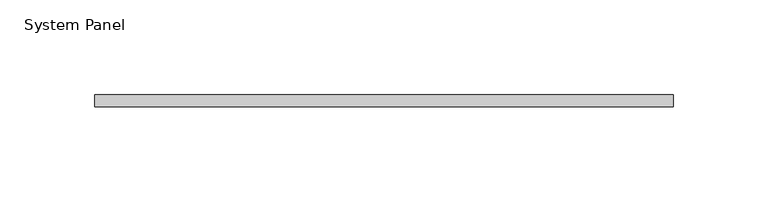
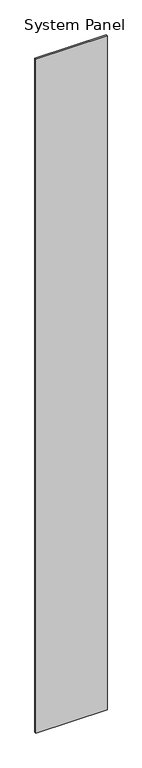
"""IFC4 building model written with IfcOpenShell, lengths in millimetres: plate geometry, System Panel."""

import ifcopenshell
import ifcopenshell.guid

model = None  # the IFC model being written
_history = None  # IfcOwnerHistory: only IFC2X3 demands one
_inside = {}  # id of a spatial element -> (the spatial element, [elements in it])
_under = {}  # id of a project, library or spatial element -> (it, [spatial elements below it])
_declared = {}  # id of a project -> (the project, [libraries it declares])
_typed = {}  # id of a type object -> (the type object, [elements of that type])
_made_of = {}  # id of a material, layer set ... -> (it, [elements and type objects made of it])


def new_model(schema):
    """Start an empty IFC model of exactly this schema.

    Asked for "IFC4X3", IfcOpenShell would pick the latest addendum, in which some entities
    have other attributes; the version numbers below select the first issue.
    IFC2X3 requires an IfcOwnerHistory on every rooted entity: one is made here for all.
    """
    global model, _history
    if schema == "IFC4X3":
        model = ifcopenshell.file(schema_version=(4, 3, 0, 0))
    else:
        model = ifcopenshell.file(schema=schema)
    _inside.clear()
    _under.clear()
    _declared.clear()
    _typed.clear()
    _made_of.clear()
    _history = None
    if model.schema == "IFC2X3":
        org = make("IfcOrganization", Name="unknown")
        user = make(
            "IfcPersonAndOrganization",
            ThePerson=make("IfcPerson", FamilyName="unknown"),
            TheOrganization=org,
        )
        app = make(
            "IfcApplication",
            ApplicationDeveloper=org,
            Version="unknown",
            ApplicationFullName="unknown",
            ApplicationIdentifier="unknown",
        )
        _history = make(
            "IfcOwnerHistory",
            OwningUser=user,
            OwningApplication=app,
            ChangeAction="ADDED",
            CreationDate=0,
        )
    return model


def make(cls, **values):
    """One entity of the class cls with the attributes given. An attribute that is None is left unset."""
    return model.create_entity(
        cls, **{name: value for name, value in values.items() if value is not None}
    )


def rooted(cls, **values):
    """An entity with a GlobalId (a new one), such as an element, a storey or a relation."""
    return make(cls, GlobalId=ifcopenshell.guid.new(), OwnerHistory=_history, **values)


def si_unit(unit_type, name, prefix=None):
    """IfcSIUnit, for example si_unit("LENGTHUNIT", "METRE", prefix="MILLI")."""
    return make("IfcSIUnit", UnitType=unit_type, Prefix=prefix, Name=name)


def assignment(units):
    """IfcUnitAssignment: the units of a project."""
    return None if units is None else make("IfcUnitAssignment", Units=units)


def point(xyz):
    """IfcCartesianPoint."""
    return None if xyz is None else make("IfcCartesianPoint", Coordinates=xyz)


def direction(xyz):
    """IfcDirection."""
    return None if xyz is None else make("IfcDirection", DirectionRatios=xyz)


def frame(location, z_axis=None, x_axis=None):
    """IfcAxis2Placement3D, a coordinate frame: its origin and axes. An axis left out is left unset."""
    return make(
        "IfcAxis2Placement3D",
        Location=point(location),
        Axis=direction(z_axis),
        RefDirection=direction(x_axis),
    )


def origin():
    """The frame at (0, 0, 0) with its axes left unset."""
    return frame((0.0, 0.0, 0.0))


def origin_with_axes():
    """The frame at (0, 0, 0) with the z axis (0, 0, 1) and the x axis (1, 0, 0) written out."""
    return frame((0.0, 0.0, 0.0), z_axis=(0.0, 0.0, 1.0), x_axis=(1.0, 0.0, 0.0))


def place(relative_to, where):
    """IfcLocalPlacement: puts the frame where relative to a parent placement (None: the world)."""
    return make(
        "IfcLocalPlacement", PlacementRelTo=relative_to, RelativePlacement=where
    )


def context(
    kind, dimensions, precision=None, world=None, true_north=None, identifier=None
):
    """IfcGeometricRepresentationContext, for example the 3D "Model" context."""
    return make(
        "IfcGeometricRepresentationContext",
        ContextIdentifier=identifier,
        ContextType=kind,
        CoordinateSpaceDimension=dimensions,
        Precision=precision,
        WorldCoordinateSystem=world,
        TrueNorth=true_north,
    )


def project(units=None, contexts=None):
    """IfcProject with its units and contexts."""
    return rooted(
        "IfcProject",
        Name="project",
        RepresentationContexts=contexts,
        UnitsInContext=assignment(units),
    )


def spatial(cls, under=None, at=None, **own):
    """A site, building, storey or space (cls), placed at a placement, below another one or the project."""
    s = rooted(cls, ObjectPlacement=at, **own)
    if under is not None:
        _under.setdefault(under.id(), (under, []))[1].append(s)
    return s


def polyline(points):
    """IfcPolyline through the points."""
    return make("IfcPolyline", Points=[point(p) for p in points])


def outline(outer, holes=None, kind="AREA"):
    """IfcArbitraryClosedProfileDef: a profile drawn as a closed curve; with holes, ...WithVoids."""
    if holes is None:
        return make("IfcArbitraryClosedProfileDef", ProfileType=kind, OuterCurve=outer)
    return make(
        "IfcArbitraryProfileDefWithVoids",
        ProfileType=kind,
        OuterCurve=outer,
        InnerCurves=holes,
    )


def extrude(swept, where, along, depth):
    """IfcExtrudedAreaSolid: the profile swept, set in the frame where, extruded along a direction by depth."""
    return make(
        "IfcExtrudedAreaSolid",
        SweptArea=swept,
        Position=where,
        ExtrudedDirection=direction(along),
        Depth=depth,
    )


def shape(context_of_items, identifier, shape_type, items):
    """IfcShapeRepresentation: the items that make up one representation, for example the "Body"."""
    return make(
        "IfcShapeRepresentation",
        ContextOfItems=context_of_items,
        RepresentationIdentifier=identifier,
        RepresentationType=shape_type,
        Items=items,
    )


def source(mapping_origin, context_of_items, identifier, shape_type, items):
    """IfcRepresentationMap: a shape defined once, which mapped items show again and again."""
    return make(
        "IfcRepresentationMap",
        MappingOrigin=mapping_origin,
        MappedRepresentation=shape(context_of_items, identifier, shape_type, items),
    )


def transform(
    local_origin,
    x_axis=None,
    y_axis=None,
    z_axis=None,
    scale=None,
    scale2=None,
    scale3=None,
    uniform=True,
):
    """IfcCartesianTransformationOperator3D, or its non-uniform kind. x_axis, y_axis, z_axis: its Axis1, 2, 3."""
    if uniform:
        return make(
            "IfcCartesianTransformationOperator3D",
            Axis1=direction(x_axis),
            Axis2=direction(y_axis),
            LocalOrigin=point(local_origin),
            Scale=scale,
            Axis3=direction(z_axis),
        )
    return make(
        "IfcCartesianTransformationOperator3DnonUniform",
        Axis1=direction(x_axis),
        Axis2=direction(y_axis),
        LocalOrigin=point(local_origin),
        Scale=scale,
        Axis3=direction(z_axis),
        Scale2=scale2,
        Scale3=scale3,
    )


def mapped(mapping_source, mapping_target):
    """IfcMappedItem: shows the shape of a source again, moved by a transform."""
    return make(
        "IfcMappedItem", MappingSource=mapping_source, MappingTarget=mapping_target
    )


def made_of(thing, what):
    """Note that an element or type object is made of a material, layer set ...; save() writes the relation."""
    if what is not None:
        _made_of.setdefault(what.id(), (what, []))[1].append(thing)
    return thing


def element(
    cls,
    number,
    at=None,
    inside=None,
    cuts=None,
    type_object=None,
    material=None,
    context=None,
    identifier="Body",
    shape_type=None,
    held_by="IfcProductDefinitionShape",
    body=None,
    shapes=None,
    **own,
):
    """One element of the class cls, such as IfcWall. Its Tag is "e" and its number.

    at: its placement. inside: the storey or other place that contains it. cuts: it is an
    opening in that element (IfcRelVoidsElement). A single representation is given by context,
    identifier, shape_type and body (its items); several are given by shapes. held_by: the class
    of the entity that holds the representations. save() writes the other relations.
    """
    e = rooted(cls, Tag="e%d" % number, ObjectPlacement=at, **own)
    if body is not None:
        shapes = [shape(context, identifier, shape_type, body)]
    if shapes is not None:
        e.Representation = make(held_by, Representations=shapes)
    if inside is not None:
        _inside.setdefault(inside.id(), (inside, []))[1].append(e)
    if cuts is not None:
        rooted(
            "IfcRelVoidsElement", RelatingBuildingElement=cuts, RelatedOpeningElement=e
        )
    if type_object is not None:
        _typed.setdefault(type_object.id(), (type_object, []))[1].append(e)
    return made_of(e, material)


def aggregate(whole, parts):
    """IfcRelAggregates: a whole, such as a stair, and the parts it consists of."""
    return rooted("IfcRelAggregates", RelatingObject=whole, RelatedObjects=parts)


def save(model, path):
    """Write the relations noted so far, then the file.

    IfcRelAggregates (storeys below a building ...), IfcRelContainedInSpatialStructure (elements
    in a storey), IfcRelDefinesByType, IfcRelAssociatesMaterial and IfcRelDeclares: one each for
    every whole, place, type object, material and project.
    """
    for whole, parts in _under.values():
        aggregate(whole, parts)
    for where, things in _inside.values():
        rooted(
            "IfcRelContainedInSpatialStructure",
            RelatedElements=things,
            RelatingStructure=where,
        )
    for kind, things in _typed.values():
        rooted("IfcRelDefinesByType", RelatedObjects=things, RelatingType=kind)
    for what, things in _made_of.values():
        rooted("IfcRelAssociatesMaterial", RelatedObjects=things, RelatingMaterial=what)
    for by, libraries in _declared.values():
        rooted("IfcRelDeclares", RelatingContext=by, RelatedDefinitions=libraries)
    model.write(path)


def system_panel_4de22a71(model_context):
    return source(origin(), model_context, "Body", "SweptSolid", [
        extrude(outline(polyline([(152.4171012, -6.35), (-152.4171012, -6.35), (-152.4171012, 0.0), (152.4171012, 0.0), (152.4171012, -6.35)])), origin_with_axes(), (0.0, 0.0, 1.0), 3048.0),
    ])


if __name__ == "__main__":
    model = new_model("IFC4")
    model_context = context("Model", 3, world=origin())
    ifc_project = project(units=[si_unit("LENGTHUNIT", "METRE", prefix="MILLI")], contexts=[model_context])
    site = spatial("IfcSite", under=ifc_project)
    building = spatial("IfcBuilding", under=site)
    placement = place(None, origin())
    system_panel_shape = system_panel_4de22a71(model_context)
    element("IfcPlate", 1, ObjectType="System Panel", at=placement, inside=building, context=model_context, shape_type="MappedRepresentation", body=[
        mapped(system_panel_shape, transform((0.0, 0.0, 0.0), x_axis=(1.0, 0.0, 0.0), y_axis=(0.0, 1.0, 0.0), z_axis=(0.0, 0.0, 1.0))),
    ])
    save(model, "model.ifc")
